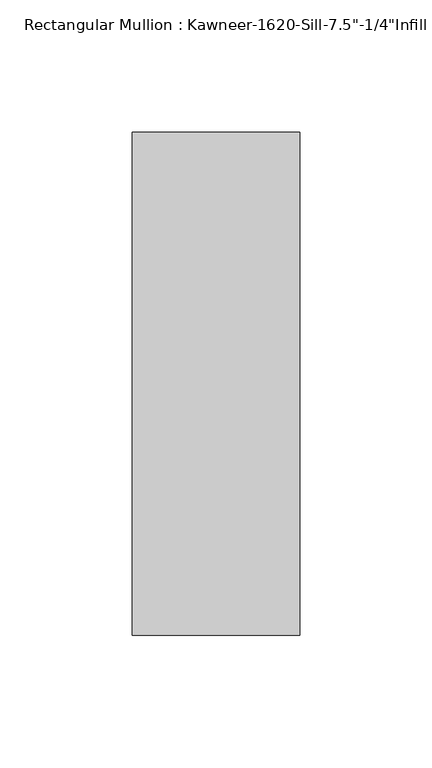
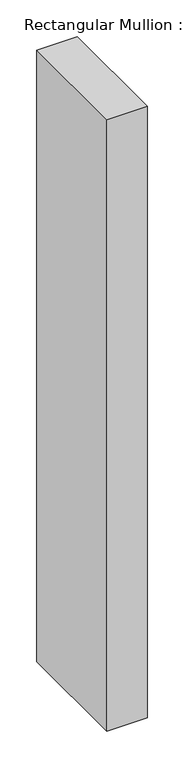
"""IFC4 building model written with IfcOpenShell, lengths in millimetres: member geometry."""

from ifc_helpers import new_model, si_unit, frame, origin, place, context, project, spatial, polyline, outline, extrude, source, transform, mapped, element, save


def member_5b7af38d(model_context):
    return source(origin(), model_context, "Body", "SweptSolid", [
        extrude(outline(polyline([(-63.5, -28.575), (-63.5, 161.925), (0.0, 161.925), (0.0, -28.575), (-63.5, -28.575)])), frame((0.0, 0.0, -1016.0), z_axis=(0.0, 0.0, 1.0), x_axis=(1.0, 0.0, 0.0)), (0.0, 0.0, 1.0), 1016.0),
    ])


if __name__ == "__main__":
    model = new_model("IFC4")
    model_context = context("Model", 3, world=origin())
    ifc_project = project(units=[si_unit("LENGTHUNIT", "METRE", prefix="MILLI")], contexts=[model_context])
    site = spatial("IfcSite", under=ifc_project)
    building = spatial("IfcBuilding", under=site)
    placement = place(None, origin())
    member_shape = member_5b7af38d(model_context)
    element("IfcMember", 1, ObjectType="Rectangular Mullion : Kawneer-1620-Sill-7.5\"-1/4\"Infill", at=placement, inside=building, context=model_context, shape_type="MappedRepresentation", body=[
        mapped(member_shape, transform((0.0, 0.0, 0.0), x_axis=(1.0, 0.0, 0.0), y_axis=(0.0, 1.0, 0.0), z_axis=(0.0, 0.0, 1.0))),
    ])
    save(model, "model.ifc")
